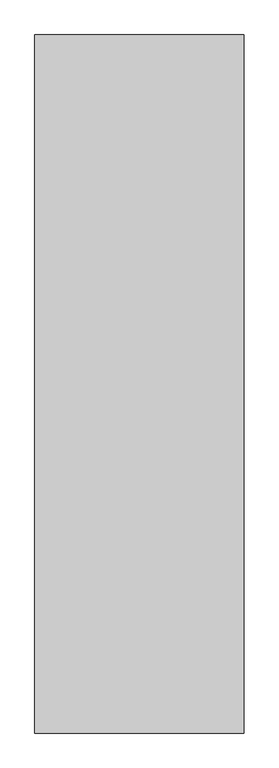
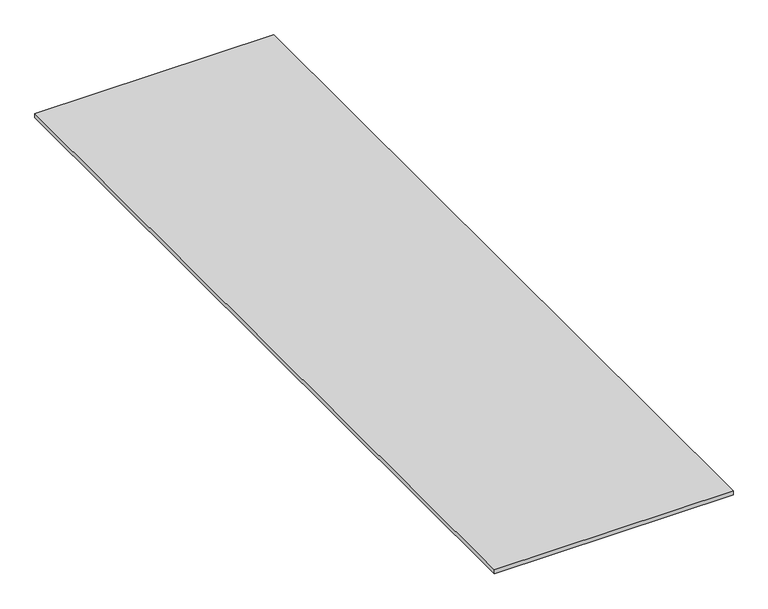
"""IFC4 building model written with IfcOpenShell, lengths in millimetres: proxy geometry."""

from ifc_helpers import new_model, si_unit, origin, origin_with_axes, place, context, project, spatial, polyline, outline, extrude, source, transform, mapped, element, save


def generic_models_bf8215a7(model_context):
    return source(origin(), model_context, "Body", "SweptSolid", [
        extrude(outline(polyline([(11159.4865951, 13747.1625159), (11159.4865951, 11747.1625159), (10559.4865951, 11747.1625159), (10559.4865951, 13747.1625159), (11159.4865951, 13747.1625159)])), origin_with_axes(), (0.0, 0.0, 1.0), 10.0),
    ])


if __name__ == "__main__":
    model = new_model("IFC4")
    model_context = context("Model", 3, world=origin())
    ifc_project = project(units=[si_unit("LENGTHUNIT", "METRE", prefix="MILLI")], contexts=[model_context])
    site = spatial("IfcSite", under=ifc_project)
    building = spatial("IfcBuilding", under=site)
    placement = place(None, origin())
    generic_models_shape = generic_models_bf8215a7(model_context)
    element("IfcBuildingElementProxy", 1, Name="Generic Models", at=placement, inside=building, context=model_context, shape_type="MappedRepresentation", body=[
        mapped(generic_models_shape, transform((0.0, 0.0, 0.0), x_axis=(1.0, 0.0, 0.0), y_axis=(0.0, 1.0, 0.0), z_axis=(0.0, 0.0, 1.0))),
    ])
    save(model, "model.ifc")
